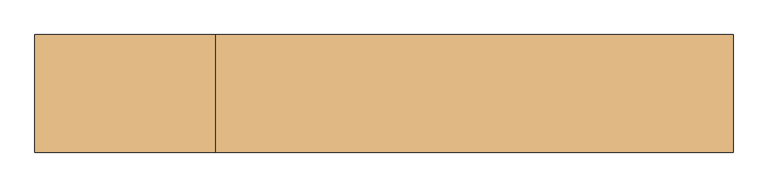
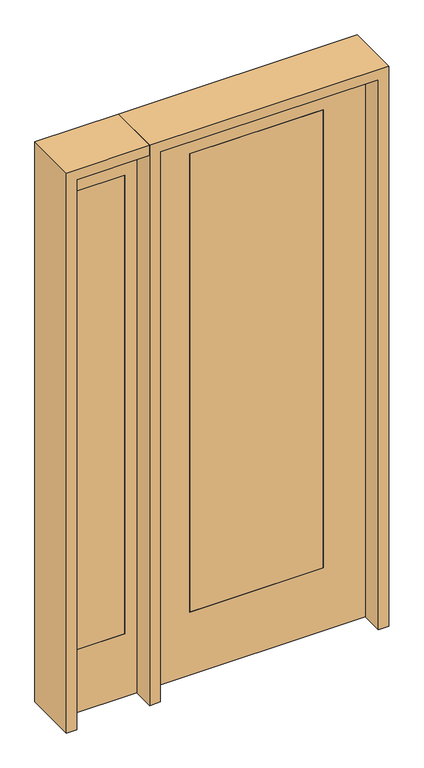
"""IFC4 building model written with IfcOpenShell, lengths in millimetres: door geometry."""

from ifc_helpers import new_model, si_unit, frame, origin, place, context, project, spatial, polyline, outline, extrude, source, transform, mapped, element, save


def door_5c2d9b9c(model_context):
    return source(origin(), model_context, "Body", "SweptSolid", [
        extrude(outline(polyline([(-552.45, -20.6375), (-755.65, -20.6375), (-755.65, 20.6375), (-552.45, 20.6375), (-552.45, -20.6375)])), frame((0.0, 0.0, 279.4), z_axis=(0.0, 0.0, 1.0), x_axis=(1.0, 0.0, 0.0)), (0.0, 0.0, 1.0), 2032.0),
        extrude(outline(polyline([(0.0, -806.45), (0.0, -501.65), (2438.4, -501.65), (2438.4, -806.45), (0.0, -806.45)]), holes=[polyline([(2311.4, -552.45), (279.4, -552.45), (279.4, -755.65), (2311.4, -755.65), (2311.4, -552.45)])]), frame((0.0, -20.6375, 0.0), z_axis=(0.0, 1.0, 0.0), x_axis=(0.0, 0.0, 1.0)), (0.0, 0.0, 1.0), 41.275),
        extrude(outline(polyline([(2438.4, 457.2), (2438.4, -457.2), (0.0, -457.2), (0.0, 457.2), (2438.4, 457.2)]), holes=[polyline([(279.4, 279.4), (279.4, -279.4), (2311.4, -279.4), (2311.4, 279.4), (279.4, 279.4)])]), frame((0.0, -20.6375, 0.0), z_axis=(0.0, 1.0, 0.0), x_axis=(0.0, 0.0, 1.0)), (0.0, 0.0, 1.0), 41.275),
        extrude(outline(polyline([(279.4, -20.6375), (-279.4, -20.6375), (-279.4, 20.6375), (279.4, 20.6375), (279.4, -20.6375)])), frame((0.0, 0.0, 279.4), z_axis=(0.0, 0.0, 1.0), x_axis=(1.0, 0.0, 0.0)), (0.0, 0.0, 1.0), 2032.0),
        extrude(outline(polyline([(2438.4, -501.65), (2482.85, -501.65), (2482.85, -850.9), (0.0, -850.9), (0.0, -806.45), (2438.4, -806.45), (2438.4, -501.65)])), frame((0.0, -114.3, 0.0), z_axis=(0.0, 1.0, 0.0), x_axis=(0.0, 0.0, 1.0)), (0.0, 0.0, 1.0), 228.6),
        extrude(outline(polyline([(2482.85, -501.65), (0.0, -501.65), (0.0, -457.2), (2438.4, -457.2), (2438.4, 457.2), (0.0, 457.2), (0.0, 501.65), (2482.85, 501.65), (2482.85, -501.65)])), frame((0.0, -114.3, 0.0), z_axis=(0.0, 1.0, 0.0), x_axis=(0.0, 0.0, 1.0)), (0.0, 0.0, 1.0), 228.6),
    ])


if __name__ == "__main__":
    model = new_model("IFC4")
    model_context = context("Model", 3, world=origin())
    ifc_project = project(units=[si_unit("LENGTHUNIT", "METRE", prefix="MILLI")], contexts=[model_context])
    site = spatial("IfcSite", under=ifc_project)
    building = spatial("IfcBuilding", under=site)
    placement = place(None, origin())
    door_shape = door_5c2d9b9c(model_context)
    element("IfcDoor", 1, at=placement, inside=building, context=model_context, shape_type="MappedRepresentation", body=[
        mapped(door_shape, transform((0.0, 0.0, 0.0), x_axis=(1.0, 0.0, 0.0), y_axis=(0.0, 1.0, 0.0), z_axis=(0.0, 0.0, 1.0))),
    ])
    save(model, "model.ifc")
